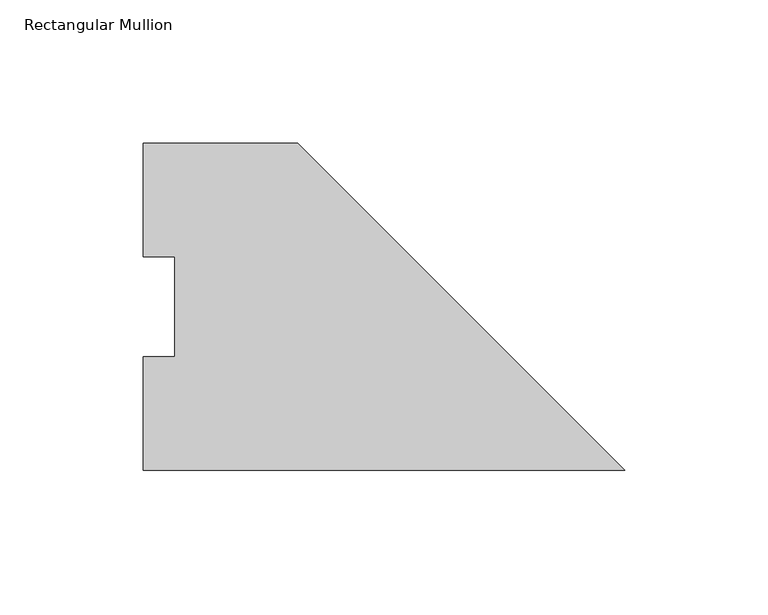
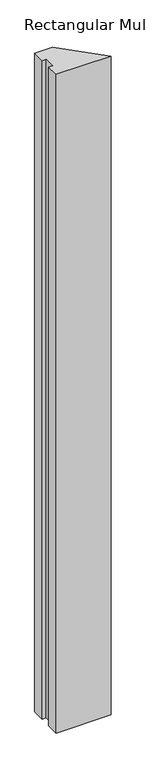
"""IFC4 building model written with IfcOpenShell, lengths in millimetres: member geometry, Rectangular Mullion."""

import ifcopenshell
import ifcopenshell.guid

model = None  # the IFC model being written
_history = None  # IfcOwnerHistory: only IFC2X3 demands one
_inside = {}  # id of a spatial element -> (the spatial element, [elements in it])
_under = {}  # id of a project, library or spatial element -> (it, [spatial elements below it])
_declared = {}  # id of a project -> (the project, [libraries it declares])
_typed = {}  # id of a type object -> (the type object, [elements of that type])
_made_of = {}  # id of a material, layer set ... -> (it, [elements and type objects made of it])


def new_model(schema):
    """Start an empty IFC model of exactly this schema.

    Asked for "IFC4X3", IfcOpenShell would pick the latest addendum, in which some entities
    have other attributes; the version numbers below select the first issue.
    IFC2X3 requires an IfcOwnerHistory on every rooted entity: one is made here for all.
    """
    global model, _history
    if schema == "IFC4X3":
        model = ifcopenshell.file(schema_version=(4, 3, 0, 0))
    else:
        model = ifcopenshell.file(schema=schema)
    _inside.clear()
    _under.clear()
    _declared.clear()
    _typed.clear()
    _made_of.clear()
    _history = None
    if model.schema == "IFC2X3":
        org = make("IfcOrganization", Name="unknown")
        user = make(
            "IfcPersonAndOrganization",
            ThePerson=make("IfcPerson", FamilyName="unknown"),
            TheOrganization=org,
        )
        app = make(
            "IfcApplication",
            ApplicationDeveloper=org,
            Version="unknown",
            ApplicationFullName="unknown",
            ApplicationIdentifier="unknown",
        )
        _history = make(
            "IfcOwnerHistory",
            OwningUser=user,
            OwningApplication=app,
            ChangeAction="ADDED",
            CreationDate=0,
        )
    return model


def make(cls, **values):
    """One entity of the class cls with the attributes given. An attribute that is None is left unset."""
    return model.create_entity(
        cls, **{name: value for name, value in values.items() if value is not None}
    )


def rooted(cls, **values):
    """An entity with a GlobalId (a new one), such as an element, a storey or a relation."""
    return make(cls, GlobalId=ifcopenshell.guid.new(), OwnerHistory=_history, **values)


def si_unit(unit_type, name, prefix=None):
    """IfcSIUnit, for example si_unit("LENGTHUNIT", "METRE", prefix="MILLI")."""
    return make("IfcSIUnit", UnitType=unit_type, Prefix=prefix, Name=name)


def assignment(units):
    """IfcUnitAssignment: the units of a project."""
    return None if units is None else make("IfcUnitAssignment", Units=units)


def point(xyz):
    """IfcCartesianPoint."""
    return None if xyz is None else make("IfcCartesianPoint", Coordinates=xyz)


def direction(xyz):
    """IfcDirection."""
    return None if xyz is None else make("IfcDirection", DirectionRatios=xyz)


def frame(location, z_axis=None, x_axis=None):
    """IfcAxis2Placement3D, a coordinate frame: its origin and axes. An axis left out is left unset."""
    return make(
        "IfcAxis2Placement3D",
        Location=point(location),
        Axis=direction(z_axis),
        RefDirection=direction(x_axis),
    )


def origin():
    """The frame at (0, 0, 0) with its axes left unset."""
    return frame((0.0, 0.0, 0.0))


def place(relative_to, where):
    """IfcLocalPlacement: puts the frame where relative to a parent placement (None: the world)."""
    return make(
        "IfcLocalPlacement", PlacementRelTo=relative_to, RelativePlacement=where
    )


def context(
    kind, dimensions, precision=None, world=None, true_north=None, identifier=None
):
    """IfcGeometricRepresentationContext, for example the 3D "Model" context."""
    return make(
        "IfcGeometricRepresentationContext",
        ContextIdentifier=identifier,
        ContextType=kind,
        CoordinateSpaceDimension=dimensions,
        Precision=precision,
        WorldCoordinateSystem=world,
        TrueNorth=true_north,
    )


def project(units=None, contexts=None):
    """IfcProject with its units and contexts."""
    return rooted(
        "IfcProject",
        Name="project",
        RepresentationContexts=contexts,
        UnitsInContext=assignment(units),
    )


def spatial(cls, under=None, at=None, **own):
    """A site, building, storey or space (cls), placed at a placement, below another one or the project."""
    s = rooted(cls, ObjectPlacement=at, **own)
    if under is not None:
        _under.setdefault(under.id(), (under, []))[1].append(s)
    return s


def polyline(points):
    """IfcPolyline through the points."""
    return make("IfcPolyline", Points=[point(p) for p in points])


def outline(outer, holes=None, kind="AREA"):
    """IfcArbitraryClosedProfileDef: a profile drawn as a closed curve; with holes, ...WithVoids."""
    if holes is None:
        return make("IfcArbitraryClosedProfileDef", ProfileType=kind, OuterCurve=outer)
    return make(
        "IfcArbitraryProfileDefWithVoids",
        ProfileType=kind,
        OuterCurve=outer,
        InnerCurves=holes,
    )


def extrude(swept, where, along, depth):
    """IfcExtrudedAreaSolid: the profile swept, set in the frame where, extruded along a direction by depth."""
    return make(
        "IfcExtrudedAreaSolid",
        SweptArea=swept,
        Position=where,
        ExtrudedDirection=direction(along),
        Depth=depth,
    )


def shape(context_of_items, identifier, shape_type, items):
    """IfcShapeRepresentation: the items that make up one representation, for example the "Body"."""
    return make(
        "IfcShapeRepresentation",
        ContextOfItems=context_of_items,
        RepresentationIdentifier=identifier,
        RepresentationType=shape_type,
        Items=items,
    )


def source(mapping_origin, context_of_items, identifier, shape_type, items):
    """IfcRepresentationMap: a shape defined once, which mapped items show again and again."""
    return make(
        "IfcRepresentationMap",
        MappingOrigin=mapping_origin,
        MappedRepresentation=shape(context_of_items, identifier, shape_type, items),
    )


def transform(
    local_origin,
    x_axis=None,
    y_axis=None,
    z_axis=None,
    scale=None,
    scale2=None,
    scale3=None,
    uniform=True,
):
    """IfcCartesianTransformationOperator3D, or its non-uniform kind. x_axis, y_axis, z_axis: its Axis1, 2, 3."""
    if uniform:
        return make(
            "IfcCartesianTransformationOperator3D",
            Axis1=direction(x_axis),
            Axis2=direction(y_axis),
            LocalOrigin=point(local_origin),
            Scale=scale,
            Axis3=direction(z_axis),
        )
    return make(
        "IfcCartesianTransformationOperator3DnonUniform",
        Axis1=direction(x_axis),
        Axis2=direction(y_axis),
        LocalOrigin=point(local_origin),
        Scale=scale,
        Axis3=direction(z_axis),
        Scale2=scale2,
        Scale3=scale3,
    )


def mapped(mapping_source, mapping_target):
    """IfcMappedItem: shows the shape of a source again, moved by a transform."""
    return make(
        "IfcMappedItem", MappingSource=mapping_source, MappingTarget=mapping_target
    )


def made_of(thing, what):
    """Note that an element or type object is made of a material, layer set ...; save() writes the relation."""
    if what is not None:
        _made_of.setdefault(what.id(), (what, []))[1].append(thing)
    return thing


def element(
    cls,
    number,
    at=None,
    inside=None,
    cuts=None,
    type_object=None,
    material=None,
    context=None,
    identifier="Body",
    shape_type=None,
    held_by="IfcProductDefinitionShape",
    body=None,
    shapes=None,
    **own,
):
    """One element of the class cls, such as IfcWall. Its Tag is "e" and its number.

    at: its placement. inside: the storey or other place that contains it. cuts: it is an
    opening in that element (IfcRelVoidsElement). A single representation is given by context,
    identifier, shape_type and body (its items); several are given by shapes. held_by: the class
    of the entity that holds the representations. save() writes the other relations.
    """
    e = rooted(cls, Tag="e%d" % number, ObjectPlacement=at, **own)
    if body is not None:
        shapes = [shape(context, identifier, shape_type, body)]
    if shapes is not None:
        e.Representation = make(held_by, Representations=shapes)
    if inside is not None:
        _inside.setdefault(inside.id(), (inside, []))[1].append(e)
    if cuts is not None:
        rooted(
            "IfcRelVoidsElement", RelatingBuildingElement=cuts, RelatedOpeningElement=e
        )
    if type_object is not None:
        _typed.setdefault(type_object.id(), (type_object, []))[1].append(e)
    return made_of(e, material)


def aggregate(whole, parts):
    """IfcRelAggregates: a whole, such as a stair, and the parts it consists of."""
    return rooted("IfcRelAggregates", RelatingObject=whole, RelatedObjects=parts)


def save(model, path):
    """Write the relations noted so far, then the file.

    IfcRelAggregates (storeys below a building ...), IfcRelContainedInSpatialStructure (elements
    in a storey), IfcRelDefinesByType, IfcRelAssociatesMaterial and IfcRelDeclares: one each for
    every whole, place, type object, material and project.
    """
    for whole, parts in _under.values():
        aggregate(whole, parts)
    for where, things in _inside.values():
        rooted(
            "IfcRelContainedInSpatialStructure",
            RelatedElements=things,
            RelatingStructure=where,
        )
    for kind, things in _typed.values():
        rooted("IfcRelDefinesByType", RelatedObjects=things, RelatingType=kind)
    for what, things in _made_of.values():
        rooted("IfcRelAssociatesMaterial", RelatedObjects=things, RelatingMaterial=what)
    for by, libraries in _declared.values():
        rooted("IfcRelDeclares", RelatingContext=by, RelatedDefinitions=libraries)
    model.write(path)


def rectangular_mullion_34ea69d0(model_context):
    return source(origin(), model_context, "Body", "SweptSolid", [
        extrude(outline(polyline([(0.0, -0.028575), (-168.275, -0.028575), (-168.275, 39.646225), (-157.1625, 39.646225), (-157.1625, 74.596625), (-168.275, 74.596625), (-168.275, 114.271425), (-114.3, 114.271425), (0.0, -0.028575)])), frame((0.0, 0.0, -2133.6), z_axis=(0.0, 0.0, 1.0), x_axis=(1.0, 0.0, 0.0)), (0.0, 0.0, 1.0), 2133.6),
    ])


if __name__ == "__main__":
    model = new_model("IFC4")
    model_context = context("Model", 3, world=origin())
    ifc_project = project(units=[si_unit("LENGTHUNIT", "METRE", prefix="MILLI")], contexts=[model_context])
    site = spatial("IfcSite", under=ifc_project)
    building = spatial("IfcBuilding", under=site)
    placement = place(None, origin())
    rectangular_mullion_shape = rectangular_mullion_34ea69d0(model_context)
    element("IfcMember", 1, ObjectType="Rectangular Mullion", at=placement, inside=building, context=model_context, shape_type="MappedRepresentation", body=[
        mapped(rectangular_mullion_shape, transform((0.0, 0.0, 0.0), x_axis=(1.0, 0.0, 0.0), y_axis=(0.0, 1.0, 0.0), z_axis=(0.0, 0.0, 1.0))),
    ])
    save(model, "model.ifc")
